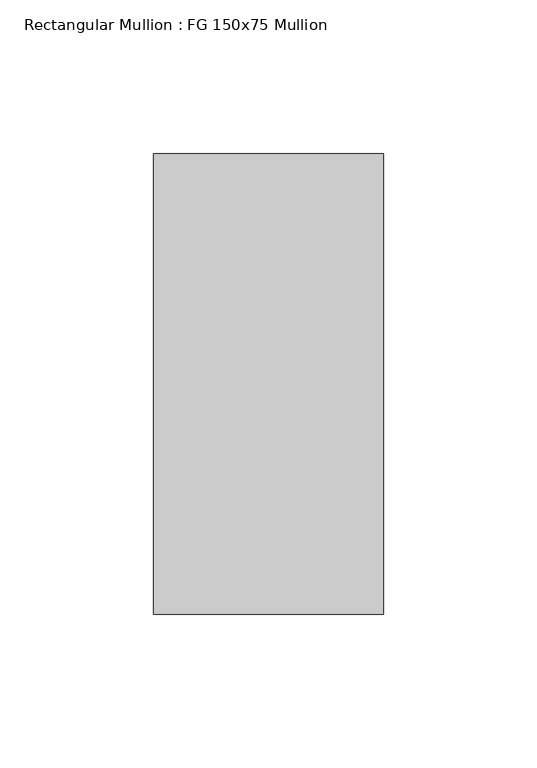
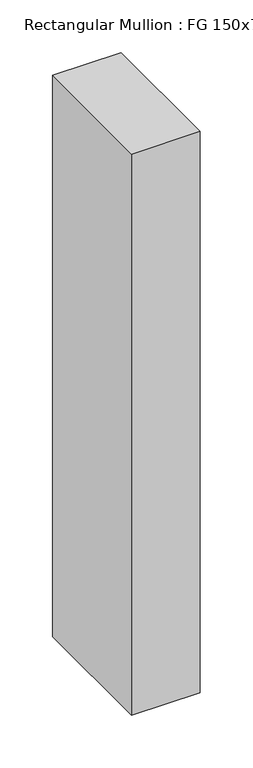
"""IFC4 building model written with IfcOpenShell, lengths in millimetres: member geometry, Rectangular Mullion : FG 150x75 Mullion."""

from ifc_helpers import new_model, si_unit, frame, origin, place, context, project, spatial, polyline, outline, extrude, source, transform, mapped, element, save


def rectangular_mullion_fg_150x75_mullion_9b052580(model_context):
    return source(origin(), model_context, "Body", "SweptSolid", [
        extrude(outline(polyline([(37.5, 75.0), (37.5, -75.0), (-37.5, -75.0), (-37.5, 75.0), (37.5, 75.0)])), frame((0.0, 0.0, -649.0919081), z_axis=(0.0, 0.0, 1.0), x_axis=(1.0, 0.0, 0.0)), (0.0, 0.0, 1.0), 649.0919081),
    ])


if __name__ == "__main__":
    model = new_model("IFC4")
    model_context = context("Model", 3, world=origin())
    ifc_project = project(units=[si_unit("LENGTHUNIT", "METRE", prefix="MILLI")], contexts=[model_context])
    site = spatial("IfcSite", under=ifc_project)
    building = spatial("IfcBuilding", under=site)
    placement = place(None, origin())
    rectangular_mullion_fg_150x75_mullion_shape = rectangular_mullion_fg_150x75_mullion_9b052580(model_context)
    element("IfcMember", 1, ObjectType="Rectangular Mullion : FG 150x75 Mullion", at=placement, inside=building, context=model_context, shape_type="MappedRepresentation", body=[
        mapped(rectangular_mullion_fg_150x75_mullion_shape, transform((0.0, 0.0, 0.0), x_axis=(1.0, 0.0, 0.0), y_axis=(0.0, 1.0, 0.0), z_axis=(0.0, 0.0, 1.0))),
    ])
    save(model, "model.ifc")
